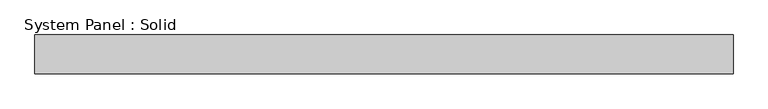
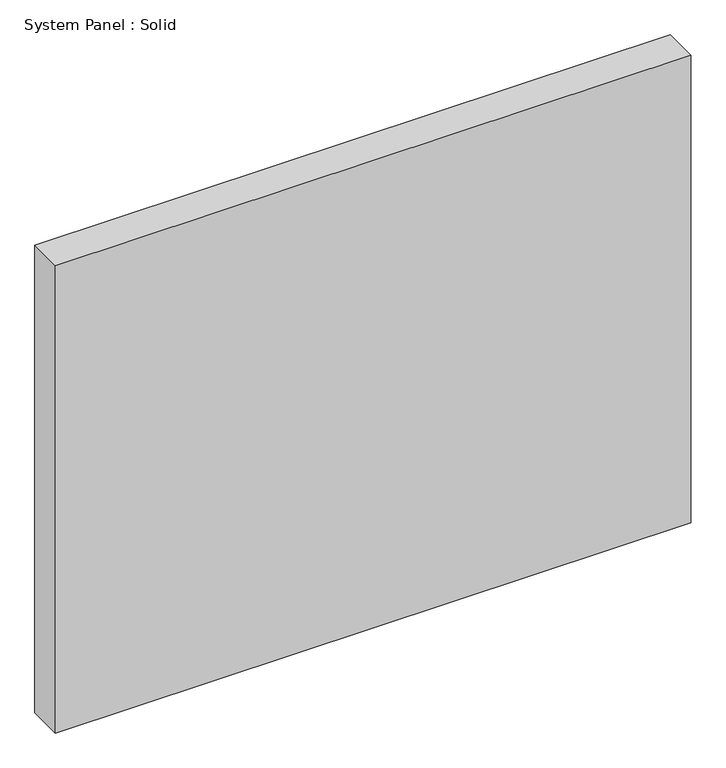
"""IFC4 building model written with IfcOpenShell, lengths in millimetres: plate geometry, System Panel : Solid."""

from ifc_helpers import new_model, si_unit, origin, origin_with_axes, place, context, project, spatial, polyline, outline, extrude, source, transform, mapped, element, save


def system_panel_solid_b19a51d6(model_context):
    return source(origin(), model_context, "Body", "SweptSolid", [
        extrude(outline(polyline([(571.5, -44.45), (-571.5, -44.45), (-571.5, 19.05), (571.5, 19.05), (571.5, -44.45)])), origin_with_axes(), (0.0, 0.0, 1.0), 889.0),
    ])


if __name__ == "__main__":
    model = new_model("IFC4")
    model_context = context("Model", 3, world=origin())
    ifc_project = project(units=[si_unit("LENGTHUNIT", "METRE", prefix="MILLI")], contexts=[model_context])
    site = spatial("IfcSite", under=ifc_project)
    building = spatial("IfcBuilding", under=site)
    placement = place(None, origin())
    system_panel_solid_shape = system_panel_solid_b19a51d6(model_context)
    element("IfcPlate", 1, ObjectType="System Panel : Solid", at=placement, inside=building, context=model_context, shape_type="MappedRepresentation", body=[
        mapped(system_panel_solid_shape, transform((0.0, 0.0, 0.0), x_axis=(1.0, 0.0, 0.0), y_axis=(0.0, 1.0, 0.0), z_axis=(0.0, 0.0, 1.0))),
    ])
    save(model, "model.ifc")
